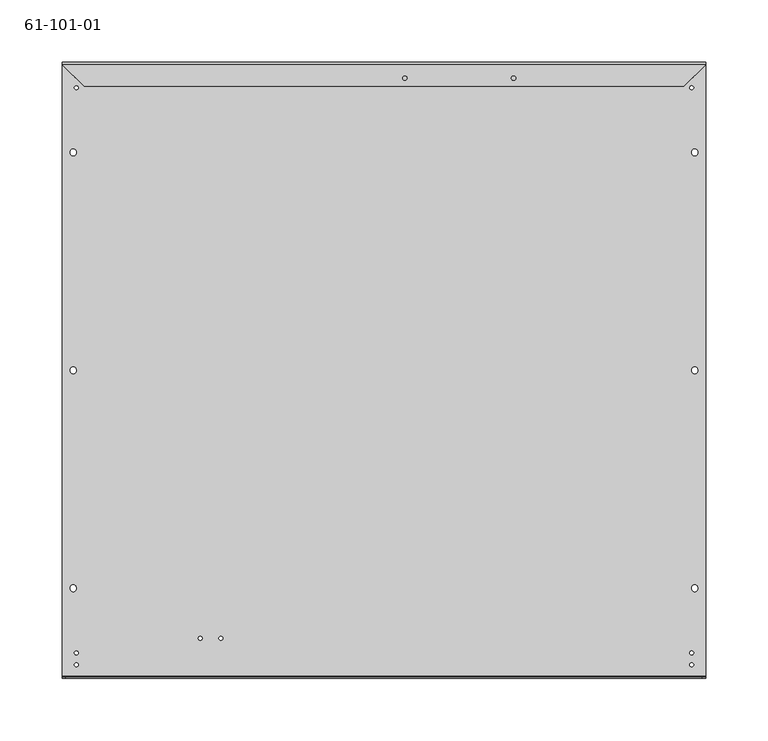
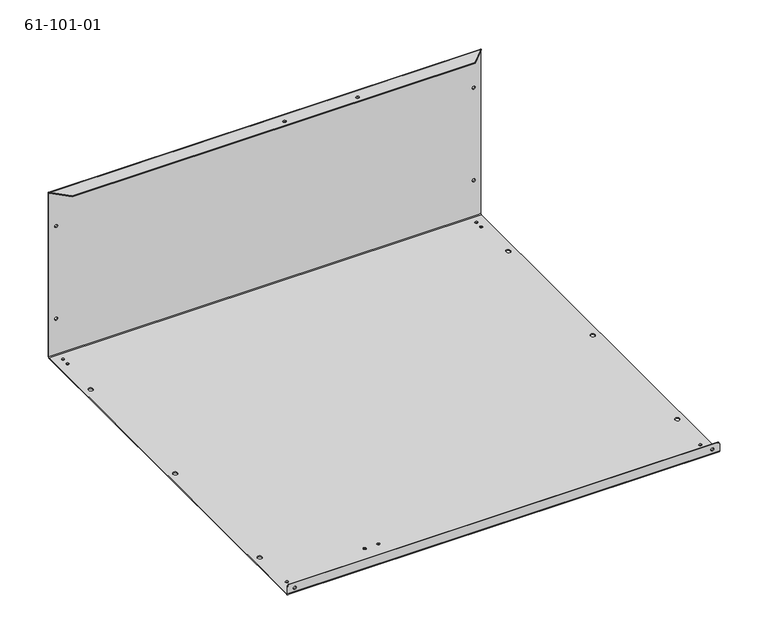
"""IFC4 building model written with IfcOpenShell, lengths in millimetres: proxy geometry, 61-101-01."""

from ifc_helpers import new_model, si_unit, frame, origin, place, context, project, spatial, polyline, circle_curve, source, transform, mapped, element, save
from ifc_brep_helpers import plane_surface, cylinder_surface, revolved_surface, advanced_brep


def proxy_61_101_01_c05e0fa4(model_context):
    return source(origin(), model_context, "Body", "AdvancedBrep", [
        advanced_brep(
        [(10.3759, -484.0172327, 6.46938), (10.3759, -484.8706727, 6.46938), (6.9469, -484.8706727, 6.46938), (6.9469, -484.0172327, 6.46938), (156.5021, 7.8994873, 200.025), (156.5021, 8.7529273, 200.025), (152.1587, 8.7529273, 200.025), (152.1587, 7.8994873, 200.025), (137.4521, 7.8994873, 200.025), (137.4521, 8.7529273, 200.025), (133.1087, 8.7529273, 200.025), (133.1087, 7.8994873, 200.025), (9.5885, -464.5506727, 0.85344), (9.5885, -464.5506727, 0.0), (12.6365, -464.5506727, 0.0), (12.6365, -464.5506727, 0.85344), (9.5885, -11.5670727, 0.85344), (9.5885, -11.5670727, 0.0), (12.6365, -11.5670727, 0.0), (12.6365, -11.5670727, 0.85344), (9.5885, -2.0420727, 0.85344), (9.5885, -2.0420727, 0.0), (12.6365, -2.0420727, 0.0), (12.6365, -2.0420727, 0.85344), (9.5885, -474.0756727, 0.85344), (9.5885, -474.0756727, 0.0), (12.6365, -474.0756727, 0.0), (12.6365, -474.0756727, 0.85344), (108.87202, -452.8285727, 0.85344), (108.87202, -452.8285727, 0.0), (111.92002, -452.8285727, 0.0), (111.92002, -452.8285727, 0.85344), (125.38202, -452.8285727, 0.85344), (125.38202, -452.8285727, 0.0), (128.43002, -452.8285727, 0.0), (128.43002, -452.8285727, 0.85344), (502.5136, -474.0705927, 0.85344), (502.5136, -474.0705927, 0.0), (505.5616, -474.0705927, 0.0), (505.5616, -474.0705927, 0.85344), (502.5136, -2.0471527, 0.85344), (502.5136, -2.0471527, 0.0), (505.5616, -2.0471527, 0.0), (505.5616, -2.0471527, 0.85344), (502.5136, -11.5721527, 0.85344), (502.5136, -11.5721527, 0.0), (505.5616, -11.5721527, 0.0), (505.5616, -11.5721527, 0.85344), (502.5136, -464.5455927, 0.85344), (502.5136, -464.5455927, 0.0), (505.5616, -464.5455927, 0.0), (505.5616, -464.5455927, 0.85344), (508.2159, 7.8994873, 163.63442), (508.2159, 8.7529273, 163.63442), (504.7869, 8.7529273, 163.63442), (504.7869, 7.8994873, 163.63442), (10.38606, 7.8994873, 46.7603532), (10.38606, 8.7529273, 46.7603532), (6.95706, 8.7529273, 46.7603532), (6.95706, 7.8994873, 46.7603532), (10.38606, 7.8994873, 163.6329268), (10.38606, 8.7529273, 163.6329268), (6.95706, 8.7529273, 163.6329268), (6.95706, 7.8994873, 163.6329268), (508.2159, 7.8994873, 46.76648), (508.2159, 8.7529273, 46.76648), (504.7869, 8.7529273, 46.76648), (504.7869, 7.8994873, 46.76648), (422.9847068, 7.8994873, 200.025), (422.9847068, 8.7529273, 200.025), (418.6413068, 8.7529273, 200.025), (418.6413068, 7.8994873, 200.025), (442.0347068, 7.8994873, 200.025), (442.0347068, 8.7529273, 200.025), (437.6913068, 8.7529273, 200.025), (437.6913068, 7.8994873, 200.025), (508.2159, -484.0172327, 6.45668), (508.2159, -484.8706727, 6.45668), (504.7869, -484.8706727, 6.45668), (504.7869, -484.0172327, 6.45668), (363.0803, -3.8454727, 208.69656), (363.0803, -3.8454727, 209.55), (359.6513, -3.8454727, 209.55), (359.6513, -3.8454727, 208.69656), (276.0345, -3.8454727, 208.69656), (276.0345, -3.8454727, 209.55), (272.6055, -3.8454727, 209.55), (272.6055, -3.8454727, 208.69656), (6.3280232, -413.0809548, 0.85344), (11.0009114, -413.1625204, 0.85344), (11.0009114, -413.1625204, 0.0), (6.3280232, -413.0809548, 0.0), (6.3422086, -412.2682786, 0.85344), (6.3422086, -412.2682786, 0.0), (11.0150968, -412.3498442, 0.85344), (11.0150968, -412.3498442, 0.0), (6.3422086, -62.960305, 0.85344), (6.3280232, -63.7729812, 0.85344), (6.3280232, -63.7729812, 0.0), (6.3422086, -62.960305, 0.0), (11.0009114, -63.8545468, 0.85344), (11.0009114, -63.8545468, 0.0), (11.0150968, -63.0418706, 0.85344), (11.0150968, -63.0418706, 0.0), (504.1477032, -238.426968, 0.85344), (508.8205914, -238.5085336, 0.85344), (508.8205914, -238.5085336, 0.0), (504.1477032, -238.426968, 0.0), (504.1618886, -237.6142918, 0.85344), (504.1618886, -237.6142918, 0.0), (508.8347768, -237.6958574, 0.85344), (508.8347768, -237.6958574, 0.0), (508.8205914, -413.1625204, 0.85344), (508.8347768, -412.3498442, 0.85344), (508.8347768, -412.3498442, 0.0), (508.8205914, -413.1625204, 0.0), (504.1618886, -412.2682786, 0.85344), (504.1618886, -412.2682786, 0.0), (504.1477032, -413.0809548, 0.85344), (504.1477032, -413.0809548, 0.0), (6.3280232, -238.426968, 0.85344), (11.0009114, -238.5085336, 0.85344), (11.0009114, -238.5085336, 0.0), (6.3280232, -238.426968, 0.0), (6.3422086, -237.6142918, 0.85344), (6.3422086, -237.6142918, 0.0), (11.0150968, -237.6958574, 0.85344), (11.0150968, -237.6958574, 0.0), (504.1477032, -63.7729812, 0.85344), (508.8205914, -63.8545468, 0.85344), (508.8205914, -63.8545468, 0.0), (504.1477032, -63.7729812, 0.0), (508.8347768, -63.0418706, 0.85344), (508.8347768, -63.0418706, 0.0), (504.1618886, -62.960305, 0.85344), (504.1618886, -62.960305, 0.0), (512.6228, -484.8706727, 12.70508), (515.1628, -484.8706727, 10.16508), (515.1628, -484.0172327, 10.16508), (512.6228, -484.0172327, 12.70508), (2.54, -484.8706727, 12.70508), (0.0, -484.8706727, 10.16508), (0.0, -484.8706727, 1.70688), (515.1628, -484.8706727, 1.70688), (2.54, -484.0172327, 12.70508), (0.0, -484.0172327, 10.16508), (515.1628, 7.0460473, 209.55), (497.81968, -10.2970727, 209.55), (497.81968, -10.2970727, 208.69656), (515.1628, 7.0460473, 208.69656), (17.34312, -10.2970727, 208.69656), (0.0, 7.0460473, 208.69656), (0.0, 7.0460473, 209.55), (17.34312, -10.2970727, 209.55), (515.1628, -483.1637927, 0.0), (515.1628, 7.0460473, 0.0), (515.1628, 8.7529273, 1.70688), (515.1628, 8.7529273, 207.84312), (515.1628, 7.8994873, 207.84312), (515.1628, 7.8994873, 1.70688), (515.1628, 7.0460473, 0.85344), (515.1628, -483.1637927, 0.85344), (515.1628, -484.0172327, 1.70688), (0.0, -484.0172327, 1.70688), (0.0, -483.1637927, 0.85344), (0.0, 7.8994873, 1.70688), (0.0, 7.0460473, 0.85344), (0.0, 7.8994873, 207.84312), (0.0, -483.1637927, 0.0), (0.0, 7.0460473, 0.0), (0.0, 8.7529273, 1.70688), (0.0, 8.7529273, 207.84312)],
        [
            (0, 1),
            (1, 2, circle_curve(frame((8.6614, -484.8706727, 6.46938), z_axis=(0.0, -1.0, 0.0), x_axis=(1.0, 0.0, 0.0)), 1.7145)),
            (2, 3),
            (3, 0, circle_curve(frame((8.6614, -484.0172327, 6.46938), z_axis=(0.0, 1.0, 0.0), x_axis=(1.0, 0.0, 0.0)), 1.7145)),
            (4, 5),
            (5, 6, circle_curve(frame((154.3304, 8.7529273, 200.025), z_axis=(0.0, 1.0, 0.0), x_axis=(1.0, 0.0, 0.0)), 2.1717)),
            (6, 7),
            (7, 4, circle_curve(frame((154.3304, 7.8994873, 200.025), z_axis=(0.0, -1.0, 0.0), x_axis=(1.0, 0.0, 0.0)), 2.1717)),
            (8, 9),
            (9, 10, circle_curve(frame((135.2804, 8.7529273, 200.025), z_axis=(0.0, 1.0, 0.0), x_axis=(1.0, 0.0, 0.0)), 2.1717)),
            (10, 11),
            (11, 8, circle_curve(frame((135.2804, 7.8994873, 200.025), z_axis=(0.0, -1.0, 0.0), x_axis=(1.0, 0.0, 0.0)), 2.1717)),
            (12, 13),
            (13, 14, circle_curve(frame((11.1125, -464.5506727, 0.0), z_axis=(0.0, 0.0, -1.0), x_axis=(-1.0, 0.0, 0.0)), 1.524)),
            (14, 15),
            (15, 12, circle_curve(frame((11.1125, -464.5506727, 0.85344), z_axis=(0.0, 0.0, 1.0), x_axis=(-1.0, 0.0, 0.0)), 1.524)),
            (16, 17),
            (17, 18, circle_curve(frame((11.1125, -11.5670727, 0.0), z_axis=(0.0, 0.0, -1.0), x_axis=(-1.0, 0.0, 0.0)), 1.524)),
            (18, 19),
            (19, 16, circle_curve(frame((11.1125, -11.5670727, 0.85344), z_axis=(0.0, 0.0, 1.0), x_axis=(-1.0, 0.0, 0.0)), 1.524)),
            (20, 21),
            (21, 22, circle_curve(frame((11.1125, -2.0420727, 0.0), z_axis=(0.0, 0.0, -1.0), x_axis=(-1.0, 0.0, 0.0)), 1.524)),
            (22, 23),
            (23, 20, circle_curve(frame((11.1125, -2.0420727, 0.85344), z_axis=(0.0, 0.0, 1.0), x_axis=(-1.0, 0.0, 0.0)), 1.524)),
            (24, 25),
            (25, 26, circle_curve(frame((11.1125, -474.0756727, 0.0), z_axis=(0.0, 0.0, -1.0), x_axis=(-1.0, 0.0, 0.0)), 1.524)),
            (26, 27),
            (27, 24, circle_curve(frame((11.1125, -474.0756727, 0.85344), z_axis=(0.0, 0.0, 1.0), x_axis=(-1.0, 0.0, 0.0)), 1.524)),
            (28, 29),
            (29, 30, circle_curve(frame((110.39602, -452.8285727, 0.0), z_axis=(0.0, 0.0, -1.0), x_axis=(-1.0, 0.0, 0.0)), 1.524)),
            (30, 31),
            (31, 28, circle_curve(frame((110.39602, -452.8285727, 0.85344), z_axis=(0.0, 0.0, 1.0), x_axis=(-1.0, 0.0, 0.0)), 1.524)),
            (32, 33),
            (33, 34, circle_curve(frame((126.90602, -452.8285727, 0.0), z_axis=(0.0, 0.0, -1.0), x_axis=(-1.0, 0.0, 0.0)), 1.524)),
            (34, 35),
            (35, 32, circle_curve(frame((126.90602, -452.8285727, 0.85344), z_axis=(0.0, 0.0, 1.0), x_axis=(-1.0, 0.0, 0.0)), 1.524)),
            (36, 37),
            (37, 38, circle_curve(frame((504.0376, -474.0705927, 0.0), z_axis=(0.0, 0.0, -1.0), x_axis=(-1.0, 0.0, 0.0)), 1.524)),
            (38, 39),
            (39, 36, circle_curve(frame((504.0376, -474.0705927, 0.85344), z_axis=(0.0, 0.0, 1.0), x_axis=(-1.0, 0.0, 0.0)), 1.524)),
            (40, 41),
            (41, 42, circle_curve(frame((504.0376, -2.0471527, 0.0), z_axis=(0.0, 0.0, -1.0), x_axis=(-1.0, 0.0, 0.0)), 1.524)),
            (42, 43),
            (43, 40, circle_curve(frame((504.0376, -2.0471527, 0.85344), z_axis=(0.0, 0.0, 1.0), x_axis=(-1.0, 0.0, 0.0)), 1.524)),
            (44, 45),
            (45, 46, circle_curve(frame((504.0376, -11.5721527, 0.0), z_axis=(0.0, 0.0, -1.0), x_axis=(-1.0, 0.0, 0.0)), 1.524)),
            (46, 47),
            (47, 44, circle_curve(frame((504.0376, -11.5721527, 0.85344), z_axis=(0.0, 0.0, 1.0), x_axis=(-1.0, 0.0, 0.0)), 1.524)),
            (48, 49),
            (49, 50, circle_curve(frame((504.0376, -464.5455927, 0.0), z_axis=(0.0, 0.0, -1.0), x_axis=(-1.0, 0.0, 0.0)), 1.524)),
            (50, 51),
            (51, 48, circle_curve(frame((504.0376, -464.5455927, 0.85344), z_axis=(0.0, 0.0, 1.0), x_axis=(-1.0, 0.0, 0.0)), 1.524)),
            (52, 53),
            (53, 54, circle_curve(frame((506.5014, 8.7529273, 163.63442), z_axis=(0.0, 1.0, 0.0), x_axis=(1.0, 0.0, 0.0)), 1.7145)),
            (54, 55),
            (55, 52, circle_curve(frame((506.5014, 7.8994873, 163.63442), z_axis=(0.0, -1.0, 0.0), x_axis=(1.0, 0.0, 0.0)), 1.7145)),
            (56, 57),
            (57, 58, circle_curve(frame((8.67156, 8.7529273, 46.7603532), z_axis=(0.0, 1.0, 0.0), x_axis=(1.0, 0.0, 0.0)), 1.7145)),
            (58, 59),
            (59, 56, circle_curve(frame((8.67156, 7.8994873, 46.7603532), z_axis=(0.0, -1.0, 0.0), x_axis=(1.0, 0.0, 0.0)), 1.7145)),
            (60, 61),
            (61, 62, circle_curve(frame((8.67156, 8.7529273, 163.6329268), z_axis=(0.0, 1.0, 0.0), x_axis=(1.0, 0.0, 0.0)), 1.7145)),
            (62, 63),
            (63, 60, circle_curve(frame((8.67156, 7.8994873, 163.6329268), z_axis=(0.0, -1.0, 0.0), x_axis=(1.0, 0.0, 0.0)), 1.7145)),
            (64, 65),
            (65, 66, circle_curve(frame((506.5014, 8.7529273, 46.76648), z_axis=(0.0, 1.0, 0.0), x_axis=(1.0, 0.0, 0.0)), 1.7145)),
            (66, 67),
            (67, 64, circle_curve(frame((506.5014, 7.8994873, 46.76648), z_axis=(0.0, -1.0, 0.0), x_axis=(1.0, 0.0, 0.0)), 1.7145)),
            (68, 69),
            (69, 70, circle_curve(frame((420.8130068, 8.7529273, 200.025), z_axis=(0.0, 1.0, 0.0), x_axis=(1.0, 0.0, 0.0)), 2.1717)),
            (70, 71),
            (71, 68, circle_curve(frame((420.8130068, 7.8994873, 200.025), z_axis=(0.0, -1.0, 0.0), x_axis=(1.0, 0.0, 0.0)), 2.1717)),
            (72, 73),
            (73, 74, circle_curve(frame((439.8630068, 8.7529273, 200.025), z_axis=(0.0, 1.0, 0.0), x_axis=(1.0, 0.0, 0.0)), 2.1717)),
            (74, 75),
            (75, 72, circle_curve(frame((439.8630068, 7.8994873, 200.025), z_axis=(0.0, -1.0, 0.0), x_axis=(1.0, 0.0, 0.0)), 2.1717)),
            (76, 77),
            (77, 78, circle_curve(frame((506.5014, -484.8706727, 6.45668), z_axis=(0.0, -1.0, 0.0), x_axis=(1.0, 0.0, 0.0)), 1.7145)),
            (78, 79),
            (79, 76, circle_curve(frame((506.5014, -484.0172327, 6.45668), z_axis=(0.0, 1.0, 0.0), x_axis=(1.0, 0.0, 0.0)), 1.7145)),
            (80, 81),
            (81, 82, circle_curve(frame((361.3658, -3.8454727, 209.55), z_axis=(0.0, 0.0, 1.0), x_axis=(1.0, 0.0, 0.0)), 1.7145)),
            (82, 83),
            (83, 80, circle_curve(frame((361.3658, -3.8454727, 208.69656), z_axis=(0.0, 0.0, -1.0), x_axis=(1.0, 0.0, 0.0)), 1.7145)),
            (84, 85),
            (85, 86, circle_curve(frame((274.32, -3.8454727, 209.55), z_axis=(0.0, 0.0, 1.0), x_axis=(1.0, 0.0, 0.0)), 1.7145)),
            (86, 87),
            (87, 84, circle_curve(frame((274.32, -3.8454727, 208.69656), z_axis=(0.0, 0.0, -1.0), x_axis=(1.0, 0.0, 0.0)), 1.7145)),
            (88, 89, circle_curve(frame((8.6644673, -413.1217376, 0.85344), z_axis=(0.0, 0.0, 1.0), x_axis=(0.9998476951563917, -0.01745240643725925, 0.0)), 2.3368)),
            (89, 90),
            (90, 91, circle_curve(frame((8.6644673, -413.1217376, 0.0), z_axis=(0.0, 0.0, -1.0), x_axis=(0.9998476951563917, -0.01745240643725925, 0.0)), 2.3368)),
            (91, 88),
            (92, 88),
            (91, 93),
            (93, 92),
            (94, 92, circle_curve(frame((8.6786527, -412.3090614, 0.85344), z_axis=(0.0, 0.0, 1.0), x_axis=(-0.9998476951563917, 0.01745240643725925, 0.0)), 2.3368)),
            (93, 95, circle_curve(frame((8.6786527, -412.3090614, 0.0), z_axis=(0.0, 0.0, -1.0), x_axis=(-0.9998476951563917, 0.01745240643725925, 0.0)), 2.3368)),
            (95, 94),
            (89, 94),
            (95, 90),
            (96, 97),
            (97, 98),
            (98, 99),
            (99, 96),
            (97, 100, circle_curve(frame((8.6644673, -63.813764, 0.85344), z_axis=(0.0, 0.0, 1.0), x_axis=(0.9998476951563916, -0.017452406437266848, 0.0)), 2.3368)),
            (100, 101),
            (101, 98, circle_curve(frame((8.6644673, -63.813764, 0.0), z_axis=(0.0, 0.0, -1.0), x_axis=(0.9998476951563916, -0.017452406437266848, 0.0)), 2.3368)),
            (100, 102),
            (102, 103),
            (103, 101),
            (102, 96, circle_curve(frame((8.6786527, -63.0010878, 0.85344), z_axis=(0.0, 0.0, 1.0), x_axis=(-0.9998476951563916, 0.017452406437266848, 0.0)), 2.3368)),
            (99, 103, circle_curve(frame((8.6786527, -63.0010878, 0.0), z_axis=(0.0, 0.0, -1.0), x_axis=(-0.9998476951563916, 0.017452406437266848, 0.0)), 2.3368)),
            (104, 105, circle_curve(frame((506.4841473, -238.4677508, 0.85344), z_axis=(0.0, 0.0, 1.0), x_axis=(0.9998476951563915, -0.017452406437274644, 0.0)), 2.3368)),
            (105, 106),
            (106, 107, circle_curve(frame((506.4841473, -238.4677508, 0.0), z_axis=(0.0, 0.0, -1.0), x_axis=(0.9998476951563915, -0.017452406437274644, 0.0)), 2.3368)),
            (107, 104),
            (108, 104),
            (107, 109),
            (109, 108),
            (110, 108, circle_curve(frame((506.4983327, -237.6550746, 0.85344), z_axis=(0.0, 0.0, 1.0), x_axis=(-0.9998476951563917, 0.017452406437259444, 0.0)), 2.3368)),
            (109, 111, circle_curve(frame((506.4983327, -237.6550746, 0.0), z_axis=(0.0, 0.0, -1.0), x_axis=(-0.9998476951563917, 0.017452406437259444, 0.0)), 2.3368)),
            (111, 110),
            (105, 110),
            (111, 106),
            (112, 113),
            (113, 114),
            (114, 115),
            (115, 112),
            (113, 116, circle_curve(frame((506.4983327, -412.3090614, 0.85344), z_axis=(0.0, 0.0, 1.0), x_axis=(-0.9998476951563917, 0.017452406437259444, 0.0)), 2.3368)),
            (116, 117),
            (117, 114, circle_curve(frame((506.4983327, -412.3090614, 0.0), z_axis=(0.0, 0.0, -1.0), x_axis=(-0.9998476951563917, 0.017452406437259444, 0.0)), 2.3368)),
            (116, 118),
            (118, 119),
            (119, 117),
            (118, 112, circle_curve(frame((506.4841473, -413.1217376, 0.85344), z_axis=(0.0, 0.0, 1.0), x_axis=(0.9998476951563912, -0.017452406437289843, 0.0)), 2.3368)),
            (115, 119, circle_curve(frame((506.4841473, -413.1217376, 0.0), z_axis=(0.0, 0.0, -1.0), x_axis=(0.9998476951563912, -0.017452406437289843, 0.0)), 2.3368)),
            (120, 121, circle_curve(frame((8.6644673, -238.4677508, 0.85344), z_axis=(0.0, 0.0, 1.0), x_axis=(0.9998476951563915, -0.017452406437274446, 0.0)), 2.3368)),
            (121, 122),
            (122, 123, circle_curve(frame((8.6644673, -238.4677508, 0.0), z_axis=(0.0, 0.0, -1.0), x_axis=(0.9998476951563915, -0.017452406437274446, 0.0)), 2.3368)),
            (123, 120),
            (124, 120),
            (123, 125),
            (125, 124),
            (126, 124, circle_curve(frame((8.6786527, -237.6550746, 0.85344), z_axis=(0.0, 0.0, 1.0), x_axis=(-0.9998476951563917, 0.01745240643725925, 0.0)), 2.3368)),
            (125, 127, circle_curve(frame((8.6786527, -237.6550746, 0.0), z_axis=(0.0, 0.0, -1.0), x_axis=(-0.9998476951563917, 0.01745240643725925, 0.0)), 2.3368)),
            (127, 126),
            (121, 126),
            (127, 122),
            (128, 129, circle_curve(frame((506.4841473, -63.813764, 0.85344), z_axis=(0.0, 0.0, 1.0), x_axis=(0.9998476951563916, -0.017452406437267046, 0.0)), 2.3368)),
            (129, 130),
            (130, 131, circle_curve(frame((506.4841473, -63.813764, 0.0), z_axis=(0.0, 0.0, -1.0), x_axis=(0.9998476951563916, -0.017452406437267046, 0.0)), 2.3368)),
            (131, 128),
            (129, 132),
            (132, 133),
            (133, 130),
            (132, 134, circle_curve(frame((506.4983327, -63.0010878, 0.85344), z_axis=(0.0, 0.0, 1.0), x_axis=(-0.9998476951563916, 0.017452406437267046, 0.0)), 2.3368)),
            (134, 135),
            (135, 133, circle_curve(frame((506.4983327, -63.0010878, 0.0), z_axis=(0.0, 0.0, -1.0), x_axis=(-0.9998476951563916, 0.017452406437267046, 0.0)), 2.3368)),
            (134, 128),
            (131, 135),
            (136, 137, circle_curve(frame((512.6228, -484.8706727, 10.16508), z_axis=(0.0, 1.0, 0.0), x_axis=(0.7071067811865543, 0.0, 0.7071067811865408)), 2.54)),
            (137, 138),
            (138, 139, circle_curve(frame((512.6228, -484.0172327, 10.16508), z_axis=(0.0, -1.0, 0.0), x_axis=(0.7071067811865543, 0.0, 0.7071067811865408)), 2.54)),
            (139, 136),
            (136, 140),
            (140, 141, circle_curve(frame((2.54, -484.8706727, 10.16508), z_axis=(0.0, -1.0, 0.0), x_axis=(-0.7071067811865543, 0.0, 0.7071067811865407)), 2.54)),
            (141, 142),
            (142, 143),
            (143, 137),
            (77, 78, circle_curve(frame((506.5014, -484.8706727, 6.45668), z_axis=(0.0, 1.0, 0.0), x_axis=(1.0, 0.0, 0.0)), 1.7145)),
            (1, 2, circle_curve(frame((8.6614, -484.8706727, 6.46938), z_axis=(0.0, 1.0, 0.0), x_axis=(1.0, 0.0, 0.0)), 1.7145)),
            (139, 144),
            (144, 140),
            (144, 145, circle_curve(frame((2.54, -484.0172327, 10.16508), z_axis=(0.0, -1.0, 0.0), x_axis=(-0.7071067811865543, 0.0, 0.7071067811865407)), 2.54)),
            (145, 141),
            (84, 87, circle_curve(frame((274.32, -3.8454727, 208.69656), z_axis=(0.0, 0.0, -1.0), x_axis=(1.0, 0.0, 0.0)), 1.7145)),
            (86, 85, circle_curve(frame((274.32, -3.8454727, 209.55), z_axis=(0.0, 0.0, 1.0), x_axis=(1.0, 0.0, 0.0)), 1.7145)),
            (80, 83, circle_curve(frame((361.3658, -3.8454727, 208.69656), z_axis=(0.0, 0.0, -1.0), x_axis=(1.0, 0.0, 0.0)), 1.7145)),
            (82, 81, circle_curve(frame((361.3658, -3.8454727, 209.55), z_axis=(0.0, 0.0, 1.0), x_axis=(1.0, 0.0, 0.0)), 1.7145)),
            (76, 79, circle_curve(frame((506.5014, -484.0172327, 6.45668), z_axis=(0.0, 1.0, 0.0), x_axis=(1.0, 0.0, 0.0)), 1.7145)),
            (72, 75, circle_curve(frame((439.8630068, 7.8994873, 200.025), z_axis=(0.0, -1.0, 0.0), x_axis=(1.0, 0.0, 0.0)), 2.1717)),
            (74, 73, circle_curve(frame((439.8630068, 8.7529273, 200.025), z_axis=(0.0, 1.0, 0.0), x_axis=(1.0, 0.0, 0.0)), 2.1717)),
            (68, 71, circle_curve(frame((420.8130068, 7.8994873, 200.025), z_axis=(0.0, -1.0, 0.0), x_axis=(1.0, 0.0, 0.0)), 2.1717)),
            (70, 69, circle_curve(frame((420.8130068, 8.7529273, 200.025), z_axis=(0.0, 1.0, 0.0), x_axis=(1.0, 0.0, 0.0)), 2.1717)),
            (64, 67, circle_curve(frame((506.5014, 7.8994873, 46.76648), z_axis=(0.0, -1.0, 0.0), x_axis=(1.0, 0.0, 0.0)), 1.7145)),
            (66, 65, circle_curve(frame((506.5014, 8.7529273, 46.76648), z_axis=(0.0, 1.0, 0.0), x_axis=(1.0, 0.0, 0.0)), 1.7145)),
            (60, 63, circle_curve(frame((8.67156, 7.8994873, 163.6329268), z_axis=(0.0, -1.0, 0.0), x_axis=(1.0, 0.0, 0.0)), 1.7145)),
            (62, 61, circle_curve(frame((8.67156, 8.7529273, 163.6329268), z_axis=(0.0, 1.0, 0.0), x_axis=(1.0, 0.0, 0.0)), 1.7145)),
            (56, 59, circle_curve(frame((8.67156, 7.8994873, 46.7603532), z_axis=(0.0, -1.0, 0.0), x_axis=(1.0, 0.0, 0.0)), 1.7145)),
            (58, 57, circle_curve(frame((8.67156, 8.7529273, 46.7603532), z_axis=(0.0, 1.0, 0.0), x_axis=(1.0, 0.0, 0.0)), 1.7145)),
            (52, 55, circle_curve(frame((506.5014, 7.8994873, 163.63442), z_axis=(0.0, -1.0, 0.0), x_axis=(1.0, 0.0, 0.0)), 1.7145)),
            (54, 53, circle_curve(frame((506.5014, 8.7529273, 163.63442), z_axis=(0.0, 1.0, 0.0), x_axis=(1.0, 0.0, 0.0)), 1.7145)),
            (48, 51, circle_curve(frame((504.0376, -464.5455927, 0.85344), z_axis=(0.0, 0.0, 1.0), x_axis=(-1.0, 0.0, 0.0)), 1.524)),
            (50, 49, circle_curve(frame((504.0376, -464.5455927, 0.0), z_axis=(0.0, 0.0, -1.0), x_axis=(-1.0, 0.0, 0.0)), 1.524)),
            (44, 47, circle_curve(frame((504.0376, -11.5721527, 0.85344), z_axis=(0.0, 0.0, 1.0), x_axis=(-1.0, 0.0, 0.0)), 1.524)),
            (46, 45, circle_curve(frame((504.0376, -11.5721527, 0.0), z_axis=(0.0, 0.0, -1.0), x_axis=(-1.0, 0.0, 0.0)), 1.524)),
            (40, 43, circle_curve(frame((504.0376, -2.0471527, 0.85344), z_axis=(0.0, 0.0, 1.0), x_axis=(-1.0, 0.0, 0.0)), 1.524)),
            (42, 41, circle_curve(frame((504.0376, -2.0471527, 0.0), z_axis=(0.0, 0.0, -1.0), x_axis=(-1.0, 0.0, 0.0)), 1.524)),
            (36, 39, circle_curve(frame((504.0376, -474.0705927, 0.85344), z_axis=(0.0, 0.0, 1.0), x_axis=(-1.0, 0.0, 0.0)), 1.524)),
            (38, 37, circle_curve(frame((504.0376, -474.0705927, 0.0), z_axis=(0.0, 0.0, -1.0), x_axis=(-1.0, 0.0, 0.0)), 1.524)),
            (146, 147),
            (147, 148),
            (148, 149),
            (149, 146),
            (148, 150),
            (150, 151),
            (151, 149),
            (146, 152),
            (152, 153),
            (153, 147),
            (143, 154, circle_curve(frame((515.1628, -483.1637927, 1.70688), z_axis=(1.0, 0.0, 0.0), x_axis=(0.0, 0.0, -1.0)), 1.70688)),
            (154, 155),
            (155, 156, circle_curve(frame((515.1628, 7.0460473, 1.70688), z_axis=(1.0, 0.0, 0.0), x_axis=(0.0, 0.0, -1.0)), 1.70688)),
            (156, 157),
            (157, 146, circle_curve(frame((515.1628, 7.0460473, 207.84312), z_axis=(1.0, 0.0, 0.0), x_axis=(0.0, 1.0, 0.0)), 1.70688)),
            (149, 158, circle_curve(frame((515.1628, 7.0460473, 207.84312), z_axis=(-1.0, 0.0, 0.0), x_axis=(0.0, 1.0, 0.0)), 0.85344)),
            (158, 159),
            (159, 160, circle_curve(frame((515.1628, 7.0460473, 1.70688), z_axis=(-1.0, 0.0, 0.0), x_axis=(0.0, 0.0, -1.0)), 0.85344)),
            (160, 161),
            (161, 162, circle_curve(frame((515.1628, -483.1637927, 1.70688), z_axis=(-1.0, 0.0, 0.0), x_axis=(0.0, 0.0, -1.0)), 0.85344)),
            (162, 138),
            (162, 163),
            (163, 145),
            (3, 0, circle_curve(frame((8.6614, -484.0172327, 6.46938), z_axis=(0.0, -1.0, 0.0), x_axis=(1.0, 0.0, 0.0)), 1.7145)),
            (161, 164),
            (164, 163, circle_curve(frame((0.0, -483.1637927, 1.70688), z_axis=(-1.0, 0.0, 0.0), x_axis=(0.0, 0.0, -1.0)), 0.85344)),
            (159, 165),
            (165, 166, circle_curve(frame((0.0, 7.0460473, 1.70688), z_axis=(-1.0, 0.0, 0.0), x_axis=(0.0, 0.0, -1.0)), 0.85344)),
            (166, 160),
            (158, 167),
            (167, 165),
            (7, 4, circle_curve(frame((154.3304, 7.8994873, 200.025), z_axis=(0.0, 1.0, 0.0), x_axis=(1.0, 0.0, 0.0)), 2.1717)),
            (11, 8, circle_curve(frame((135.2804, 7.8994873, 200.025), z_axis=(0.0, 1.0, 0.0), x_axis=(1.0, 0.0, 0.0)), 2.1717)),
            (151, 167, circle_curve(frame((0.0, 7.0460473, 207.84312), z_axis=(-1.0, 0.0, 0.0), x_axis=(0.0, 1.0, 0.0)), 0.85344)),
            (166, 164),
            (15, 12, circle_curve(frame((11.1125, -464.5506727, 0.85344), z_axis=(0.0, 0.0, -1.0), x_axis=(-1.0, 0.0, 0.0)), 1.524)),
            (19, 16, circle_curve(frame((11.1125, -11.5670727, 0.85344), z_axis=(0.0, 0.0, -1.0), x_axis=(-1.0, 0.0, 0.0)), 1.524)),
            (23, 20, circle_curve(frame((11.1125, -2.0420727, 0.85344), z_axis=(0.0, 0.0, -1.0), x_axis=(-1.0, 0.0, 0.0)), 1.524)),
            (27, 24, circle_curve(frame((11.1125, -474.0756727, 0.85344), z_axis=(0.0, 0.0, -1.0), x_axis=(-1.0, 0.0, 0.0)), 1.524)),
            (31, 28, circle_curve(frame((110.39602, -452.8285727, 0.85344), z_axis=(0.0, 0.0, -1.0), x_axis=(-1.0, 0.0, 0.0)), 1.524)),
            (35, 32, circle_curve(frame((126.90602, -452.8285727, 0.85344), z_axis=(0.0, 0.0, -1.0), x_axis=(-1.0, 0.0, 0.0)), 1.524)),
            (34, 33, circle_curve(frame((126.90602, -452.8285727, 0.0), z_axis=(0.0, 0.0, -1.0), x_axis=(-1.0, 0.0, 0.0)), 1.524)),
            (30, 29, circle_curve(frame((110.39602, -452.8285727, 0.0), z_axis=(0.0, 0.0, -1.0), x_axis=(-1.0, 0.0, 0.0)), 1.524)),
            (26, 25, circle_curve(frame((11.1125, -474.0756727, 0.0), z_axis=(0.0, 0.0, -1.0), x_axis=(-1.0, 0.0, 0.0)), 1.524)),
            (22, 21, circle_curve(frame((11.1125, -2.0420727, 0.0), z_axis=(0.0, 0.0, -1.0), x_axis=(-1.0, 0.0, 0.0)), 1.524)),
            (18, 17, circle_curve(frame((11.1125, -11.5670727, 0.0), z_axis=(0.0, 0.0, -1.0), x_axis=(-1.0, 0.0, 0.0)), 1.524)),
            (14, 13, circle_curve(frame((11.1125, -464.5506727, 0.0), z_axis=(0.0, 0.0, -1.0), x_axis=(-1.0, 0.0, 0.0)), 1.524)),
            (154, 168),
            (168, 169),
            (169, 155),
            (166, 169),
            (168, 164),
            (142, 168, circle_curve(frame((0.0, -483.1637927, 1.70688), z_axis=(1.0, 0.0, 0.0), x_axis=(0.0, 0.0, -1.0)), 1.70688)),
            (142, 163),
            (169, 170, circle_curve(frame((0.0, 7.0460473, 1.70688), z_axis=(1.0, 0.0, 0.0), x_axis=(0.0, 0.0, -1.0)), 1.70688)),
            (170, 156),
            (165, 170),
            (170, 171),
            (171, 157),
            (5, 6, circle_curve(frame((154.3304, 8.7529273, 200.025), z_axis=(0.0, -1.0, 0.0), x_axis=(1.0, 0.0, 0.0)), 2.1717)),
            (9, 10, circle_curve(frame((135.2804, 8.7529273, 200.025), z_axis=(0.0, -1.0, 0.0), x_axis=(1.0, 0.0, 0.0)), 2.1717)),
            (167, 171),
            (171, 152, circle_curve(frame((0.0, 7.0460473, 207.84312), z_axis=(1.0, 0.0, 0.0), x_axis=(0.0, 1.0, 0.0)), 1.70688)),
            (151, 152),
            (153, 150),
        ],
        [
            revolved_surface(polyline([(10.3759, -484.8706727, 6.46938), (10.3759, -484.0172327, 6.46938)]), (8.6614, -484.4439527, 6.46938), (0.0, -1.0, 0.0)),
            revolved_surface(polyline([(156.50209999999998, 8.7529273, 200.025), (156.50209999999998, 7.8994873, 200.025)]), (154.3304, 8.3262073, 200.025), (0.0, 1.0, 0.0)),
            revolved_surface(polyline([(137.45209999999997, 8.7529273, 200.025), (137.45209999999997, 7.8994873, 200.025)]), (135.2804, 8.3262073, 200.025), (0.0, 1.0, 0.0)),
            revolved_surface(polyline([(9.5885, -464.5506727, 0.0), (9.5885, -464.5506727, 0.85344)]), (11.1125, -464.5506727, 0.42672), (0.0, 0.0, -1.0)),
            revolved_surface(polyline([(9.5885, -11.5670727, 0.0), (9.5885, -11.5670727, 0.85344)]), (11.1125, -11.5670727, 0.42672), (0.0, 0.0, -1.0)),
            revolved_surface(polyline([(9.5885, -2.0420727, 0.0), (9.5885, -2.0420727, 0.85344)]), (11.1125, -2.0420727, 0.42672), (0.0, 0.0, -1.0)),
            revolved_surface(polyline([(9.5885, -474.0756727, 0.0), (9.5885, -474.0756727, 0.85344)]), (11.1125, -474.0756727, 0.42672), (0.0, 0.0, -1.0)),
            revolved_surface(polyline([(108.87201999999999, -452.8285727, 0.0), (108.87201999999999, -452.8285727, 0.85344)]), (110.39602, -452.8285727, 0.42672), (0.0, 0.0, -1.0)),
            revolved_surface(polyline([(125.38202, -452.8285727, 0.0), (125.38202, -452.8285727, 0.85344)]), (126.90602, -452.8285727, 0.42672), (0.0, 0.0, -1.0)),
            revolved_surface(polyline([(502.5136, -474.0705927, 0.0), (502.5136, -474.0705927, 0.85344)]), (504.0376, -474.0705927, 0.42672), (0.0, 0.0, -1.0)),
            revolved_surface(polyline([(502.5136, -2.0471527, 0.0), (502.5136, -2.0471527, 0.85344)]), (504.0376, -2.0471527, 0.42672), (0.0, 0.0, -1.0)),
            revolved_surface(polyline([(502.5136, -11.5721527, 0.0), (502.5136, -11.5721527, 0.85344)]), (504.0376, -11.5721527, 0.42672), (0.0, 0.0, -1.0)),
            revolved_surface(polyline([(502.5136, -464.5455927, 0.0), (502.5136, -464.5455927, 0.85344)]), (504.0376, -464.5455927, 0.42672), (0.0, 0.0, -1.0)),
            revolved_surface(polyline([(508.2159, 8.7529273, 163.63442), (508.2159, 7.8994873, 163.63442)]), (506.5014, 8.3262073, 163.63442), (0.0, 1.0, 0.0)),
            revolved_surface(polyline([(10.386059999999999, 8.7529273, 46.7603532), (10.386059999999999, 7.8994873, 46.7603532)]), (8.67156, 8.3262073, 46.7603532), (0.0, 1.0, 0.0)),
            revolved_surface(polyline([(10.386059999999999, 8.7529273, 163.6329268), (10.386059999999999, 7.8994873, 163.6329268)]), (8.67156, 8.3262073, 163.6329268), (0.0, 1.0, 0.0)),
            revolved_surface(polyline([(508.2159, 8.7529273, 46.76648), (508.2159, 7.8994873, 46.76648)]), (506.5014, 8.3262073, 46.76648), (0.0, 1.0, 0.0)),
            revolved_surface(polyline([(422.98470679999997, 8.7529273, 200.025), (422.98470679999997, 7.8994873, 200.025)]), (420.8130068, 8.3262073, 200.025), (0.0, 1.0, 0.0)),
            revolved_surface(polyline([(442.0347068, 8.7529273, 200.025), (442.0347068, 7.8994873, 200.025)]), (439.8630068, 8.3262073, 200.025), (0.0, 1.0, 0.0)),
            revolved_surface(polyline([(508.2159, -484.8706727, 6.45668), (508.2159, -484.0172327, 6.45668)]), (506.5014, -484.4439527, 6.45668), (0.0, -1.0, 0.0)),
            revolved_surface(polyline([(363.08029999999997, -3.8454727, 209.55), (363.08029999999997, -3.8454727, 208.69656)]), (361.3658, -3.8454727, 209.12328), (0.0, 0.0, 1.0)),
            revolved_surface(polyline([(276.0345, -3.8454727, 209.55), (276.0345, -3.8454727, 208.69656)]), (274.32, -3.8454727, 209.12328), (0.0, 0.0, 1.0)),
            revolved_surface(polyline([(11.000911394041456, -413.1625203833626, 0.8534400000000004), (11.000911394041456, -413.1625203833626, 0.0)]), (8.6644673, -413.1217376, 0.0), (0.0, 0.0, 1.0000000000000002)),
            plane_surface(frame((6.3422086, -412.2682786, 0.0), z_axis=(0.9998476951563915, -0.017452406437269044, 0.0), x_axis=(-0.017452406437269044, -0.9998476951563915, 0.0))),
            revolved_surface(polyline([(6.342208605958544, -412.2682786166374, 0.8534400000000004), (6.342208605958544, -412.2682786166374, 0.0)]), (8.6786527, -412.3090614, 0.0), (0.0, 0.0, 1.0000000000000002)),
            plane_surface(frame((11.0009114, -413.1625204, 0.0), z_axis=(-0.9998476951563915, 0.017452406437267764, 0.0), x_axis=(0.017452406437267764, 0.9998476951563915, 0.0))),
            plane_surface(frame((6.3422086, -62.960305, 0.0), z_axis=(0.9998476951563915, -0.017452406437269044, 0.0), x_axis=(-0.017452406437269044, -0.9998476951563915, 0.0))),
            revolved_surface(polyline([(11.000911394041456, -63.85454678336261, 0.8534400000000004), (11.000911394041456, -63.85454678336261, 0.0)]), (8.6644673, -63.813764, 0.0), (0.0, 0.0, 1.0000000000000002)),
            plane_surface(frame((11.0009114, -63.8545468, 0.0), z_axis=(-0.9998476951563915, 0.017452406437267764, 0.0), x_axis=(0.017452406437267764, 0.9998476951563915, 0.0))),
            revolved_surface(polyline([(6.342208605958545, -62.96030501663739, 0.8534400000000004), (6.342208605958545, -62.96030501663739, 0.0)]), (8.6786527, -63.0010878, 0.0), (0.0, 0.0, 1.0000000000000002)),
            revolved_surface(polyline([(508.82059139404146, -238.50853358336263, 0.8534400000000004), (508.82059139404146, -238.50853358336263, 0.0)]), (506.4841473, -238.4677508, 0.0), (0.0, 0.0, 1.0000000000000002)),
            plane_surface(frame((504.1618886, -237.6142918, 0.0), z_axis=(0.9998476951563917, -0.01745240643725812, 0.0), x_axis=(-0.01745240643725812, -0.9998476951563917, 0.0))),
            revolved_surface(polyline([(504.16188860595855, -237.6142918166374, 0.8534400000000004), (504.16188860595855, -237.6142918166374, 0.0)]), (506.4983327, -237.6550746, 0.0), (0.0, 0.0, 1.0000000000000002)),
            plane_surface(frame((508.8205914, -238.5085336, 0.0), z_axis=(-0.9998476951563905, 0.017452406437333305, 0.0), x_axis=(0.017452406437333305, 0.9998476951563905, 0.0))),
            plane_surface(frame((508.8205914, -413.1625204, 0.0), z_axis=(-0.9998476951563905, 0.017452406437333305, 0.0), x_axis=(0.017452406437333305, 0.9998476951563905, 0.0))),
            revolved_surface(polyline([(504.16188860595855, -412.2682786166374, 0.8534400000000004), (504.16188860595855, -412.2682786166374, 0.0)]), (506.4983327, -412.3090614, 0.0), (0.0, 0.0, 1.0000000000000002)),
            plane_surface(frame((504.1618886, -412.2682786, 0.0), z_axis=(0.9998476951563917, -0.01745240643725812, 0.0), x_axis=(-0.01745240643725812, -0.9998476951563917, 0.0))),
            revolved_surface(polyline([(508.82059139404146, -413.1625203833627, 0.85344), (508.82059139404146, -413.1625203833627, 0.0)]), (506.4841473, -413.1217376, 0.0), (0.0, 0.0, 1.0)),
            revolved_surface(polyline([(11.000911394041456, -238.50853358336263, 0.8534400000000004), (11.000911394041456, -238.50853358336263, 0.0)]), (8.6644673, -238.4677508, 0.0), (0.0, 0.0, 1.0000000000000002)),
            plane_surface(frame((6.3422086, -237.6142918, 0.0), z_axis=(0.9998476951563915, -0.017452406437269044, 0.0), x_axis=(-0.017452406437269044, -0.9998476951563915, 0.0))),
            revolved_surface(polyline([(6.342208605958544, -237.6142918166374, 0.8534400000000004), (6.342208605958544, -237.6142918166374, 0.0)]), (8.6786527, -237.6550746, 0.0), (0.0, 0.0, 1.0000000000000002)),
            plane_surface(frame((11.0009114, -238.5085336, 0.0), z_axis=(-0.9998476951563915, 0.017452406437267764, 0.0), x_axis=(0.017452406437267764, 0.9998476951563915, 0.0))),
            revolved_surface(polyline([(508.82059139404146, -63.85454678336261, 0.8534400000000004), (508.82059139404146, -63.85454678336261, 0.0)]), (506.4841473, -63.813764, 0.0), (0.0, 0.0, 1.0000000000000002)),
            plane_surface(frame((508.8205914, -63.8545468, 0.0), z_axis=(-0.9998476951563905, 0.017452406437333305, 0.0), x_axis=(0.017452406437333305, 0.9998476951563905, 0.0))),
            revolved_surface(polyline([(504.16188860595855, -62.96030501663739, 0.8534400000000004), (504.16188860595855, -62.96030501663739, 0.0)]), (506.4983327, -63.0010878, 0.0), (0.0, 0.0, 1.0000000000000002)),
            plane_surface(frame((504.1618886, -62.960305, 0.0), z_axis=(0.9998476951563917, -0.01745240643725812, 0.0), x_axis=(-0.01745240643725812, -0.9998476951563917, 0.0))),
            cylinder_surface(frame((512.6228, -211.0572934, 10.16508), z_axis=(0.0, 1.0000000000000002, 0.0), x_axis=(0.7071067811865543, 0.0, 0.7071067811865408)), 2.54),
            plane_surface(frame((324.485, -484.8706727, 104.6632221), z_axis=(0.0, -1.0, 0.0), x_axis=(1.0, 0.0, 0.0))),
            plane_surface(frame((648.97, -484.8706727, 12.70508), z_axis=(0.0, 0.0, 1.0), x_axis=(1.0, 0.0, 0.0))),
            cylinder_surface(frame((2.54, -484.8706727, 10.16508), z_axis=(0.0, 1.0, 0.0), x_axis=(-0.7071067811865543, 0.0, 0.7071067811865407)), 2.54),
            plane_surface(frame((497.81968, -10.2970727, 209.55), z_axis=(0.7071067811865477, -0.7071067811865474, 0.0), x_axis=(0.7071067811865474, 0.7071067811865477, 0.0))),
            plane_surface(frame((324.485, -0.6602948, 208.69656), z_axis=(0.0, 0.0, -1.0), x_axis=(0.0, -1.0, 0.0))),
            plane_surface(frame((324.485, -0.6602948, 209.55), z_axis=(0.0, 0.0, 1.0), x_axis=(0.0, -1.0, 0.0))),
            plane_surface(frame((515.1628, 62.7560859, 0.0), z_axis=(1.0, 0.0, 0.0), x_axis=(0.0, -1.0, 0.0))),
            plane_surface(frame((324.485, -484.0172327, 104.6632221), z_axis=(0.0, 1.0, 0.0), x_axis=(1.0, 0.0, 0.0))),
            revolved_surface(polyline([(0.0, -483.1637927, 0.85344), (515.1628, -483.1637927, 0.85344)]), (324.485, -483.1637927, 1.70688), (-1.0, 0.0, 0.0)),
            revolved_surface(polyline([(515.1628, 7.0460473, 0.85344), (0.0, 7.0460473, 0.85344)]), (324.485, 7.0460473, 1.70688), (1.0, 0.0, 0.0)),
            plane_surface(frame((324.485, 7.8994873, 104.6632221), z_axis=(0.0, -1.0, 0.0), x_axis=(1.0, 0.0, 0.0))),
            revolved_surface(polyline([(515.1628, 7.8994873, 207.84312), (0.0, 7.8994873, 207.84312)]), (324.485, 7.0460473, 207.84312), (1.0, 0.0, 0.0)),
            plane_surface(frame((324.485, -238.0588727, 0.85344), z_axis=(0.0, 0.0, 1.0), x_axis=(1.0, 0.0, 0.0))),
            plane_surface(frame((324.485, -238.0588727, 0.0), z_axis=(0.0, 0.0, -1.0), x_axis=(1.0, 0.0, 0.0))),
            plane_surface(frame((0.0, -484.8706727, 0.0), z_axis=(-1.0, 0.0, 0.0), x_axis=(0.0, 0.0, 1.0))),
            cylinder_surface(frame((324.485, -483.1637927, 1.70688), z_axis=(-1.0, 0.0, 0.0), x_axis=(0.0, 0.0, -1.0)), 1.70688),
            plane_surface(frame((0.0, -484.0172327, 1.70688), z_axis=(-1.0, 0.0, 0.0), x_axis=(0.0, 0.0, 1.0))),
            cylinder_surface(frame((324.485, 7.0460473, 1.70688), z_axis=(1.0, 0.0, 0.0), x_axis=(0.0, 0.0, -1.0)), 1.70688),
            plane_surface(frame((0.0, 8.7529273, 1.70688), z_axis=(-1.0, 0.0, 0.0), x_axis=(0.0, 0.0, 1.0))),
            plane_surface(frame((0.0, -484.8706727, 1.70688), z_axis=(-1.0, 0.0, 0.0), x_axis=(0.0, 1.0, 0.0))),
            plane_surface(frame((324.485, 8.7529273, 104.6632221), z_axis=(0.0, 1.0, 0.0), x_axis=(1.0, 0.0, 0.0))),
            plane_surface(frame((0.0, 8.7529273, 1.70688), z_axis=(-1.0, 0.0, 0.0), x_axis=(0.0, -1.0, 0.0))),
            cylinder_surface(frame((324.485, 7.0460473, 207.84312), z_axis=(1.0, 0.0, 0.0), x_axis=(0.0, 1.0, 0.0)), 1.70688),
            plane_surface(frame((0.0, 7.0460473, 209.55), z_axis=(-1.0, 0.0, 0.0), x_axis=(0.0, 0.0, 1.0))),
            plane_surface(frame((0.0, -10.2970727, 209.55), z_axis=(0.0, -1.0, 0.0), x_axis=(1.0, 0.0, 0.0))),
            plane_surface(frame((0.0, 7.0460473, 209.55), z_axis=(-0.7071067811865501, -0.7071067811865449, 0.0), x_axis=(0.7071067811865449, -0.7071067811865501, 0.0))),
        ],
        [
            (0, [[1, 2, 3, 4]]),
            (1, [[5, 6, 7, 8]]),
            (2, [[9, 10, 11, 12]]),
            (3, [[13, 14, 15, 16]]),
            (4, [[17, 18, 19, 20]]),
            (5, [[21, 22, 23, 24]]),
            (6, [[25, 26, 27, 28]]),
            (7, [[29, 30, 31, 32]]),
            (8, [[33, 34, 35, 36]]),
            (9, [[37, 38, 39, 40]]),
            (10, [[41, 42, 43, 44]]),
            (11, [[45, 46, 47, 48]]),
            (12, [[49, 50, 51, 52]]),
            (13, [[53, 54, 55, 56]]),
            (14, [[57, 58, 59, 60]]),
            (15, [[61, 62, 63, 64]]),
            (16, [[65, 66, 67, 68]]),
            (17, [[69, 70, 71, 72]]),
            (18, [[73, 74, 75, 76]]),
            (19, [[77, 78, 79, 80]]),
            (20, [[81, 82, 83, 84]]),
            (21, [[85, 86, 87, 88]]),
            (22, [[89, 90, 91, 92]]),
            (23, [[93, -92, 94, 95]]),
            (24, [[96, -95, 97, 98]]),
            (25, [[99, -98, 100, -90]]),
            (26, [[101, 102, 103, 104]]),
            (27, [[105, 106, 107, -102]]),
            (28, [[108, 109, 110, -106]]),
            (29, [[111, -104, 112, -109]]),
            (30, [[113, 114, 115, 116]]),
            (31, [[117, -116, 118, 119]]),
            (32, [[120, -119, 121, 122]]),
            (33, [[123, -122, 124, -114]]),
            (34, [[125, 126, 127, 128]]),
            (35, [[129, 130, 131, -126]]),
            (36, [[132, 133, 134, -130]]),
            (37, [[135, -128, 136, -133]]),
            (38, [[137, 138, 139, 140]]),
            (39, [[141, -140, 142, 143]]),
            (40, [[144, -143, 145, 146]]),
            (41, [[147, -146, 148, -138]]),
            (42, [[149, 150, 151, 152]]),
            (43, [[153, 154, 155, -150]]),
            (44, [[156, 157, 158, -154]]),
            (45, [[159, -152, 160, -157]]),
            (46, [[161, 162, 163, 164]]),
            (47, [[-161, 165, 166, 167, 168, 169], [170, -78], [171, -2]]),
            (48, [[-164, 172, 173, -165]]),
            (49, [[174, 175, -166, -173]]),
            (21, [[-85, 176, -87, 177]]),
            (20, [[-81, 178, -83, 179]]),
            (19, [[-77, 180, -79, -170]]),
            (18, [[-73, 181, -75, 182]]),
            (17, [[-69, 183, -71, 184]]),
            (16, [[-65, 185, -67, 186]]),
            (15, [[-61, 187, -63, 188]]),
            (14, [[-57, 189, -59, 190]]),
            (13, [[-53, 191, -55, 192]]),
            (12, [[-49, 193, -51, 194]]),
            (11, [[-45, 195, -47, 196]]),
            (10, [[-41, 197, -43, 198]]),
            (9, [[-37, 199, -39, 200]]),
            (50, [[201, 202, 203, 204]]),
            (51, [[-203, 205, 206, 207], [-84, -178], [-88, -176]]),
            (52, [[-201, 208, 209, 210], [-177, -86], [-179, -82]]),
            (53, [[-162, -169, 211, 212, 213, 214, 215, -204, 216, 217, 218, 219, 220, 221]]),
            (54, [[-163, -221, 222, 223, -174, -172], [-4, 224], [-80, -180]]),
            (55, [[-220, 225, 226, -222]]),
            (56, [[-218, 227, 228, 229]]),
            (57, [[-217, 230, 231, -227], [-8, 232], [-12, 233], [-56, -191], [-60, -189], [-64, -187], [-68, -185], [-72, -183], [-76, -181]]),
            (58, [[-216, -207, 234, -230]]),
            (59, [[-219, -229, 235, -225], [-16, 236], [-20, 237], [-24, 238], [-28, 239], [-32, 240], [-36, 241], [-40, -199], [-44, -197], [-48, -195], [-52, -193], [-89, -93, -96, -99], [-101, -111, -108, -105], [-113, -117, -120, -123], [-125, -135, -132, -129], [-137, -141, -144, -147], [-149, -159, -156, -153]]),
            (8, [[-33, -241, -35, 242]]),
            (7, [[-29, -240, -31, 243]]),
            (6, [[-25, -239, -27, 244]]),
            (5, [[-21, -238, -23, 245]]),
            (4, [[-17, -237, -19, 246]]),
            (3, [[-13, -236, -15, 247]]),
            (60, [[-212, 248, 249, 250], [-91, -100, -97, -94], [-103, -107, -110, -112], [-115, -124, -121, -118], [-127, -131, -134, -136], [-139, -148, -145, -142], [-151, -155, -158, -160], [-194, -50], [-196, -46], [-198, -42], [-200, -38], [-242, -34], [-243, -30], [-244, -26], [-245, -22], [-246, -18], [-247, -14]]),
            (61, [[251, -249, 252, -235]]),
            (62, [[-211, -168, 253, -248]]),
            (63, [[254, -226, -252, -253]]),
            (64, [[-213, -250, 255, 256]]),
            (65, [[257, -255, -251, -228]]),
            (66, [[-175, -223, -254, -167]]),
            (67, [[-214, -256, 258, 259], [-182, -74], [-184, -70], [-186, -66], [-188, -62], [-190, -58], [-192, -54], [260, -6], [261, -10]]),
            (68, [[262, -258, -257, -231]]),
            (69, [[-215, -259, 263, -208]]),
            (70, [[264, -263, -262, -234]]),
            (71, [[-202, -210, 265, -205]]),
            (72, [[-209, -264, -206, -265]]),
            (2, [[-9, -233, -11, -261]]),
            (1, [[-5, -232, -7, -260]]),
            (0, [[-1, -224, -3, -171]]),
        ],
    ),
    ])


if __name__ == "__main__":
    model = new_model("IFC4")
    model_context = context("Model", 3, world=origin())
    ifc_project = project(units=[si_unit("LENGTHUNIT", "METRE", prefix="MILLI")], contexts=[model_context])
    site = spatial("IfcSite", under=ifc_project)
    building = spatial("IfcBuilding", under=site)
    placement = place(None, origin())
    proxy_61_101_01_shape = proxy_61_101_01_c05e0fa4(model_context)
    element("IfcBuildingElementProxy", 1, Name="61-101-01", ObjectType="61-101-01", at=placement, inside=building, context=model_context, shape_type="MappedRepresentation", body=[
        mapped(proxy_61_101_01_shape, transform((0.0, 0.0, 0.0), x_axis=(1.0, 0.0, 0.0), y_axis=(0.0, 1.0, 0.0), z_axis=(0.0, 0.0, 1.0))),
    ])
    save(model, "model.ifc")
